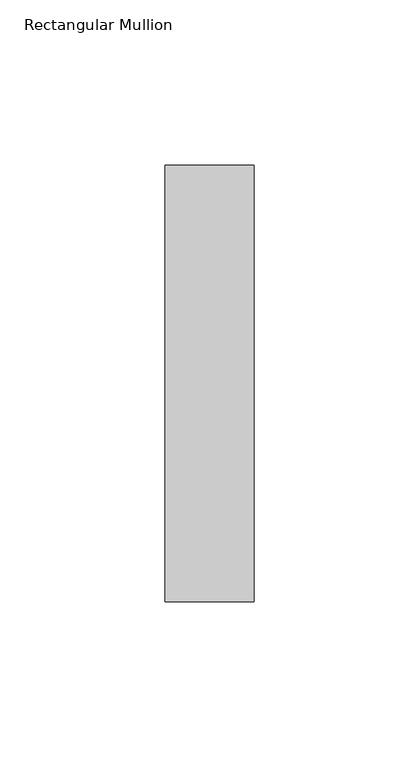
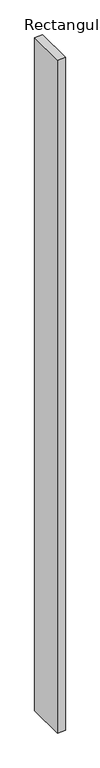
"""IFC4 building model written with IfcOpenShell, lengths in millimetres: member geometry, Rectangular Mullion."""

from ifc_helpers import new_model, si_unit, frame, origin, place, context, project, spatial, polyline, outline, extrude, source, transform, mapped, element, save


def rectangular_mullion_43a14a99(model_context):
    return source(origin(), model_context, "Body", "SweptSolid", [
        extrude(outline(polyline([(0.0, 66.1), (0.0, -66.1), (-27.0, -66.1), (-27.0, 66.1), (0.0, 66.1)])), frame((0.0, 0.0, -2400.0), z_axis=(0.0, 0.0, 1.0), x_axis=(1.0, 0.0, 0.0)), (0.0, 0.0, 1.0), 2400.0),
    ])


if __name__ == "__main__":
    model = new_model("IFC4")
    model_context = context("Model", 3, world=origin())
    ifc_project = project(units=[si_unit("LENGTHUNIT", "METRE", prefix="MILLI")], contexts=[model_context])
    site = spatial("IfcSite", under=ifc_project)
    building = spatial("IfcBuilding", under=site)
    placement = place(None, origin())
    rectangular_mullion_shape = rectangular_mullion_43a14a99(model_context)
    element("IfcMember", 1, ObjectType="Rectangular Mullion", at=placement, inside=building, context=model_context, shape_type="MappedRepresentation", body=[
        mapped(rectangular_mullion_shape, transform((0.0, 0.0, 0.0), x_axis=(1.0, 0.0, 0.0), y_axis=(0.0, 1.0, 0.0), z_axis=(0.0, 0.0, 1.0))),
    ])
    save(model, "model.ifc")
